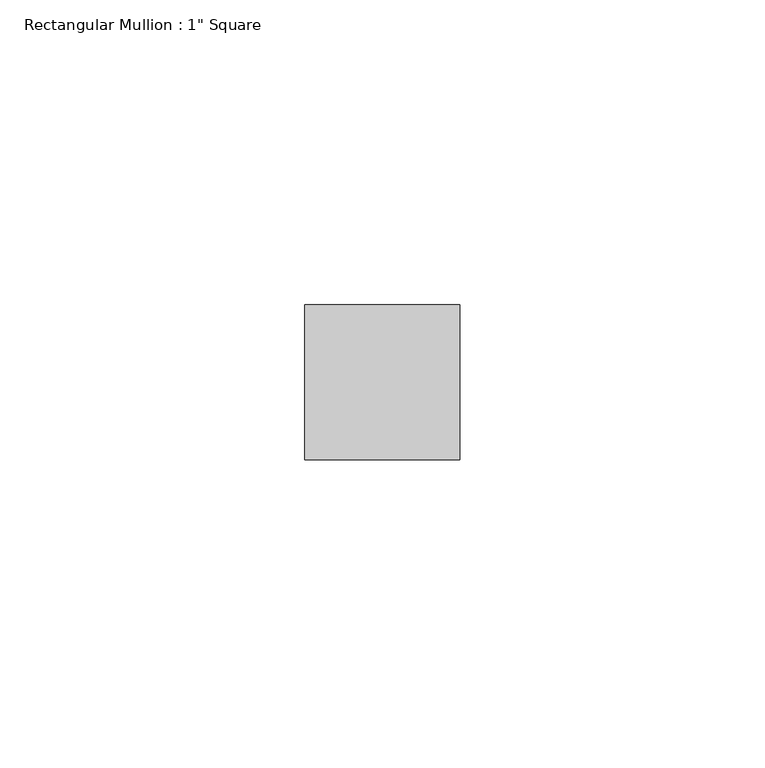
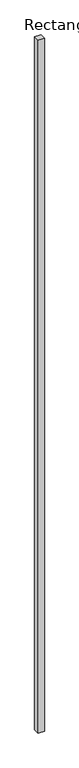
"""IFC4 building model written with IfcOpenShell, lengths in millimetres: member geometry."""

from ifc_helpers import new_model, si_unit, frame, origin, place, context, project, spatial, polyline, outline, extrude, source, transform, mapped, element, save


def member_db6f6618(model_context):
    return source(origin(), model_context, "Body", "SweptSolid", [
        extrude(outline(polyline([(12.7, 12.7), (12.7, -12.7), (-12.7, -12.7), (-12.7, 12.7), (12.7, 12.7)])), frame((0.0, 0.0, -3035.3), z_axis=(0.0, 0.0, 1.0), x_axis=(1.0, 0.0, 0.0)), (0.0, 0.0, 1.0), 3035.3),
    ])


if __name__ == "__main__":
    model = new_model("IFC4")
    model_context = context("Model", 3, world=origin())
    ifc_project = project(units=[si_unit("LENGTHUNIT", "METRE", prefix="MILLI")], contexts=[model_context])
    site = spatial("IfcSite", under=ifc_project)
    building = spatial("IfcBuilding", under=site)
    placement = place(None, origin())
    member_shape = member_db6f6618(model_context)
    element("IfcMember", 1, ObjectType="Rectangular Mullion : 1\" Square", at=placement, inside=building, context=model_context, shape_type="MappedRepresentation", body=[
        mapped(member_shape, transform((0.0, 0.0, 0.0), x_axis=(1.0, 0.0, 0.0), y_axis=(0.0, 1.0, 0.0), z_axis=(0.0, 0.0, 1.0))),
    ])
    save(model, "model.ifc")
